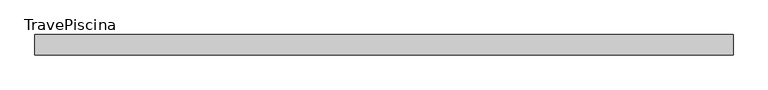
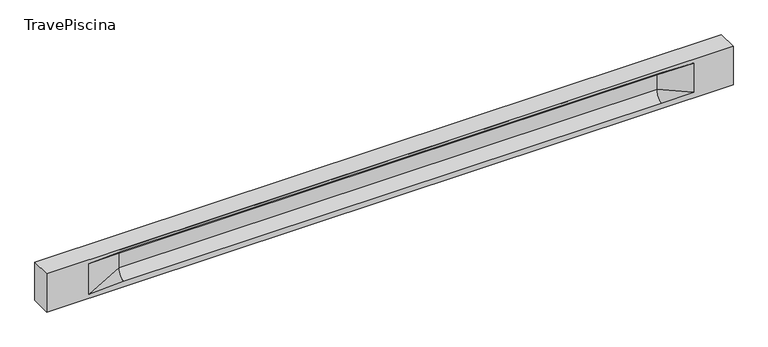
"""IFC4 building model written with IfcOpenShell, lengths in millimetres: beam geometry, TravePiscina."""

from ifc_helpers import new_model, si_unit, frame, origin, place, context, project, spatial, polyline, circle_curve, source, transform, mapped, element, save
from ifc_brep_helpers import plane_surface, revolved_surface, spline_surface, advanced_brep


def travepiscina_30b1d57d(model_context):
    return source(origin(), model_context, "Body", "AdvancedBrep", [
        advanced_brep(
        [(8502.5, -250.0, 500.0), (8502.5, -250.0, -500.0), (8502.5, 250.0, -500.0), (8502.5, 250.0, 500.0), (-8502.5, -250.0, 500.0), (-8502.5, -250.0, -500.0), (7527.5, -250.0, -362.0), (6727.5, -250.0, -360.0), (-6602.5, -250.0, -360.0), (-7452.5, -250.0, -400.0), (-7452.5, -250.0, 400.0), (-6602.5, -250.0, 435.0), (6727.5, -250.0, 435.0), (7527.5, -250.0, 400.0), (-8502.5, 250.0, -500.0), (-8502.5, 250.0, 500.0), (7527.5, 250.0, 400.0), (6727.5, 250.0, 435.0), (-6602.5, 250.0, 435.0), (-7452.5, 250.0, 400.0), (-7452.5, 250.0, -400.0), (-6602.5, 250.0, -360.0), (6727.5, 250.0, -360.0), (7527.5, 250.0, -362.0), (6727.5, 155.0, 405.0), (-6602.5, 155.0, 405.0), (-6602.5, -60.0, 262.777021), (6727.5, -60.0, 262.777021), (6727.5, -155.0, 405.0), (-6602.5, -155.0, 405.0), (-6602.5, 60.0, 262.777021), (6727.5, 60.0, 262.777021), (6727.5, 60.0, -120.0), (-6602.5, 60.0, -120.0), (-6602.5, -60.0, -120.0), (6727.5, -60.0, -120.0)],
        [
            (0, 1),
            (1, 2),
            (2, 3),
            (3, 0),
            (0, 4),
            (4, 5),
            (5, 1),
            (6, 7),
            (7, 8),
            (8, 9),
            (9, 10),
            (10, 11),
            (11, 12),
            (12, 13),
            (13, 6),
            (5, 14),
            (14, 2),
            (14, 15),
            (15, 3),
            (16, 17),
            (17, 18),
            (18, 19),
            (19, 20),
            (20, 21),
            (21, 22),
            (22, 23),
            (23, 16),
            (15, 4),
            (17, 24),
            (24, 25),
            (25, 18),
            (26, 27),
            (27, 28, circle_curve(frame((6727.5, -213.9598725, 262.777021), z_axis=(1.0, 0.0, 0.0), x_axis=(0.0, 1.0, 0.0)), 153.9598725)),
            (28, 29),
            (29, 26, circle_curve(frame((-6602.5, -213.9598725, 262.777021), z_axis=(-1.0, 0.0, 0.0), x_axis=(0.0, 1.0, 0.0)), 153.9598725)),
            (30, 31),
            (31, 32),
            (32, 33),
            (33, 30),
            (28, 12),
            (11, 29),
            (34, 35),
            (35, 27),
            (26, 34),
            (25, 19),
            (22, 32, circle_curve(frame((6727.5, 306.5789474, -120.0), z_axis=(-1.0, 0.0, 0.0), x_axis=(0.0, 1.0, 0.0)), 246.5789474)),
            (32, 23),
            (10, 29),
            (10, 26),
            (13, 28),
            (27, 13),
            (30, 19),
            (25, 30, circle_curve(frame((-6602.5, 213.9598725, 262.777021), z_axis=(1.0, 0.0, 0.0), x_axis=(0.0, 1.0, 0.0)), 153.9598725)),
            (9, 34),
            (8, 34, circle_curve(frame((-6602.5, -306.5789474, -120.0), z_axis=(1.0, 0.0, 0.0), x_axis=(0.0, 1.0, 0.0)), 246.5789474)),
            (20, 33),
            (33, 21, circle_curve(frame((-6602.5, 306.5789474, -120.0), z_axis=(1.0, 0.0, 0.0), x_axis=(0.0, 1.0, 0.0)), 246.5789474)),
            (35, 6),
            (35, 7, circle_curve(frame((6727.5, -306.5789474, -120.0), z_axis=(-1.0, 0.0, 0.0), x_axis=(0.0, 1.0, 0.0)), 246.5789474)),
            (31, 16),
            (31, 24, circle_curve(frame((6727.5, 213.9598725, 262.777021), z_axis=(-1.0, 0.0, 0.0), x_axis=(0.0, 1.0, 0.0)), 153.9598725)),
            (24, 16),
        ],
        [
            plane_surface(frame((8502.5, 0.0, 0.0), z_axis=(1.0, 0.0, 0.0), x_axis=(0.0, 0.0, 1.0))),
            plane_surface(frame((8502.5, -250.0, 500.0), z_axis=(0.0, -1.0, 0.0), x_axis=(-1.0, 0.0, 0.0))),
            plane_surface(frame((8502.5, -250.0, -500.0), z_axis=(0.0, 0.0, -1.0), x_axis=(-1.0, 0.0, 0.0))),
            plane_surface(frame((8502.5, 250.0, -500.0), z_axis=(0.0, 1.0, 0.0), x_axis=(-1.0, 0.0, 0.0))),
            plane_surface(frame((8502.5, 250.0, 500.0), z_axis=(0.0, 0.0, 1.0), x_axis=(-1.0, 0.0, 0.0))),
            plane_surface(frame((-6602.5, 250.0, 435.0), z_axis=(0.0, 0.30113136793710954, -0.9535826651341378), x_axis=(1.0, 0.0, 0.0))),
            plane_surface(frame((-8502.5, 0.0, 0.0), z_axis=(-1.0, 0.0, 0.0), x_axis=(0.0, 0.0, 1.0))),
            revolved_surface(polyline([(6727.5, -60.0, 262.777021), (-6602.5, -60.0, 262.777021)]), (-6602.5, -213.9598725, 262.777021), (1.0, 0.0, 0.0)),
            plane_surface(frame((-6602.5, 60.0, 262.777021), z_axis=(0.0, 1.0, 0.0), x_axis=(1.0, 0.0, 0.0))),
            plane_surface(frame((-6602.5, -155.0, 405.0), z_axis=(0.0, -0.30113136793710693, -0.9535826651341387), x_axis=(1.0, 0.0, 0.0))),
            plane_surface(frame((-6602.5, -60.0, -120.0), z_axis=(0.0, -1.0, 0.0), x_axis=(1.0, 0.0, 0.0))),
            plane_surface(frame((-7452.5, 250.0, 400.0), z_axis=(0.03923493491469405, 0.30089950084952793, -0.9528484193567961), x_axis=(0.0, 0.9535826651341378, 0.30113136793710954))),
            spline_surface(2, 1, [[(6727.5, 250.0, -360.0), (7527.5, 250.0, -362.0)], [(6727.5, 60.00000002887427, -315.20833329480604), (7527.5, 250.0, -362.0)], [(6727.5, 60.0, -120.0), (7527.5, 250.0, -362.0)]], [3, 3], [2, 2], [0.0, 1.0], [0.0, 1.0], weights=[[1.0, 1.0], [0.7840458245391329, 0.7840458245391329], [1.0, 1.0]]),
            plane_surface(frame((-7452.5, -250.0, 400.0), z_axis=(0.039234934914694077, -0.3008995008495253, -0.952848419356797), x_axis=(0.0, 0.9535826651341387, -0.30113136793710693))),
            spline_surface(2, 1, [[(-7452.5, -250.0, 400.0), (-6602.5, -155.0, 405.0)], [(-7452.5, -250.0, 400.0), (-6602.5, -60.00000008030692, 365.6168572114734)], [(-7452.5, -250.0, 400.0), (-6602.5, -60.0, 262.777021)]], [3, 3], [2, 2], [0.0, 1.0], [0.0, 1.0], weights=[[1.0, 1.0], [0.8315515924557569, 0.8315515924557569], [1.0, 1.0]]),
            spline_surface(2, 1, [[(6727.5, -155.0, 405.0), (7527.5, -250.0, 400.0)], [(6727.5, -60.00000008030692, 365.6168572114734), (7527.5, -250.0, 400.0)], [(6727.5, -60.0, 262.777021), (7527.5, -250.0, 400.0)]], [3, 3], [2, 2], [0.0, 1.0], [0.0, 1.0], weights=[[1.0, 1.0], [0.8315515924557569, 0.8315515924557569], [1.0, 1.0]]),
            plane_surface(frame((6727.5, -202.5, 420.0), z_axis=(-0.041682982855687514, -0.30086965068766125, -0.9527538938442274), x_axis=(0.0, 0.9535826651341387, -0.30113136793710693))),
            spline_surface(2, 1, [[(-7452.5, 250.0, 400.0), (-6602.5, 60.0, 262.777021)], [(-7452.5, 250.0, 400.0), (-6602.5, 59.99999995452379, 365.6168572954922)], [(-7452.5, 250.0, 400.0), (-6602.5, 155.0, 405.0)]], [3, 3], [2, 2], [0.0, 1.0], [0.0, 1.0], weights=[[1.0, 1.0], [0.8315515921160737, 0.8315515921160737], [1.0, 1.0]]),
            plane_surface(frame((-7452.5, -250.0, 0.0), z_axis=(0.21814596370705072, -0.9759161534262675, 0.0), x_axis=(0.0, 0.0, -1.0))),
            spline_surface(2, 1, [[(-7452.5, -250.0, -400.0), (-6602.5, -60.0, -120.0)], [(-7452.5, -250.0, -400.0), (-6602.5, -59.99999998020837, -315.20833333333337)], [(-7452.5, -250.0, -400.0), (-6602.5, -250.0, -360.0)]], [3, 3], [2, 2], [0.0, 1.0], [0.0, 1.0], weights=[[1.0, 1.0], [0.7840458244617614, 0.7840458244617614], [1.0, 1.0]]),
            spline_surface(2, 1, [[(-7452.5, 250.0, -400.0), (-6602.5, 250.0, -360.0)], [(-7452.5, 250.0, -400.0), (-6602.5, 60.00000002887427, -315.20833329480604)], [(-7452.5, 250.0, -400.0), (-6602.5, 60.0, -120.0)]], [3, 3], [2, 2], [0.0, 1.0], [0.0, 1.0], weights=[[1.0, 1.0], [0.7840458245391329, 0.7840458245391329], [1.0, 1.0]]),
            plane_surface(frame((-7452.5, 250.0, 0.0), z_axis=(0.21814596370704661, 0.9759161534262685, 0.0), x_axis=(0.0, 0.0, 1.0))),
            plane_surface(frame((6727.5, -60.0, 71.3885105), z_axis=(-0.23107243079589768, -0.9729365507195602, 0.0), x_axis=(0.0, 0.0, -1.0))),
            spline_surface(2, 1, [[(6727.5, -60.0, -120.0), (7527.5, -250.0, -362.0)], [(6727.5, -59.99999998020837, -315.20833333333337), (7527.5, -250.0, -362.0)], [(6727.5, -250.0, -360.0), (7527.5, -250.0, -362.0)]], [3, 3], [2, 2], [0.0, 1.0], [0.0, 1.0], weights=[[1.0, 1.0], [0.7840458244617614, 0.7840458244617614], [1.0, 1.0]]),
            plane_surface(frame((6727.5, 60.0, 71.3885105), z_axis=(-0.2310724307958912, 0.9729365507195616, 0.0), x_axis=(0.0, 0.0, 1.0))),
            spline_surface(2, 1, [[(6727.5, 60.0, 262.777021), (7527.5, 250.0, 400.0)], [(6727.5, 59.99999995452379, 365.6168572954922), (7527.5, 250.0, 400.0)], [(6727.5, 155.0, 405.0), (7527.5, 250.0, 400.0)]], [3, 3], [2, 2], [0.0, 1.0], [0.0, 1.0], weights=[[1.0, 1.0], [0.8315515921160737, 0.8315515921160737], [1.0, 1.0]]),
            plane_surface(frame((6727.5, 202.5, 420.0), z_axis=(-0.04168298285568677, 0.30086965068766386, -0.9527538938442265), x_axis=(0.0, 0.9535826651341378, 0.30113136793710954))),
            revolved_surface(polyline([(6727.5, 367.919745, 262.777021), (-6602.5, 367.919745, 262.777021)]), (-6602.5, 213.9598725, 262.777021), (1.0, 0.0, 0.0)),
            revolved_surface(polyline([(6727.5, 553.1578948, -120.0), (-6602.5, 553.1578948, -120.0)]), (-6602.5, 306.5789474, -120.0), (1.0, 0.0, 0.0)),
            revolved_surface(polyline([(6727.5, -60.0, -120.0), (-6602.5, -60.0, -120.0)]), (-6602.5, -306.5789474, -120.0), (1.0, 0.0, 0.0)),
        ],
        [
            (0, [[1, 2, 3, 4]]),
            (1, [[-1, 5, 6, 7], [8, 9, 10, 11, 12, 13, 14, 15]]),
            (2, [[-2, -7, 16, 17]]),
            (3, [[-3, -17, 18, 19], [20, 21, 22, 23, 24, 25, 26, 27]]),
            (4, [[-5, -4, -19, 28]]),
            (5, [[-21, 29, 30, 31]]),
            (6, [[-28, -18, -16, -6]]),
            (7, [[32, 33, 34, 35]]),
            (8, [[36, 37, 38, 39]]),
            (9, [[-34, 40, -13, 41]]),
            (10, [[42, 43, -32, 44]]),
            (11, [[45, -22, -31]]),
            (12, [[-26, 46, 47]]),
            (13, [[-12, 48, -41]]),
            (14, [[-48, 49, -35]]),
            (15, [[50, -33, 51]]),
            (16, [[-14, -40, -50]]),
            (17, [[52, -45, 53]]),
            (18, [[-49, -11, 54, -44]]),
            (19, [[-54, -10, 55]]),
            (20, [[-24, 56, 57]]),
            (21, [[-52, -39, -56, -23]]),
            (22, [[-51, -43, 58, -15]]),
            (23, [[-58, 59, -8]]),
            (24, [[-47, -37, 60, -27]]),
            (25, [[-60, 61, 62]]),
            (26, [[-62, -29, -20]]),
            (27, [[-30, -61, -36, -53]]),
            (28, [[-38, -46, -25, -57]]),
            (29, [[-9, -59, -42, -55]]),
        ],
    ),
    ])


if __name__ == "__main__":
    model = new_model("IFC4")
    model_context = context("Model", 3, world=origin())
    ifc_project = project(units=[si_unit("LENGTHUNIT", "METRE", prefix="MILLI")], contexts=[model_context])
    site = spatial("IfcSite", under=ifc_project)
    building = spatial("IfcBuilding", under=site)
    placement = place(None, origin())
    travepiscina_shape = travepiscina_30b1d57d(model_context)
    element("IfcBeam", 1, ObjectType="TravePiscina", at=placement, inside=building, context=model_context, shape_type="MappedRepresentation", body=[
        mapped(travepiscina_shape, transform((0.0, 0.0, 0.0), x_axis=(1.0, 0.0, 0.0), y_axis=(0.0, 1.0, 0.0), z_axis=(0.0, 0.0, 1.0))),
    ])
    save(model, "model.ifc")
